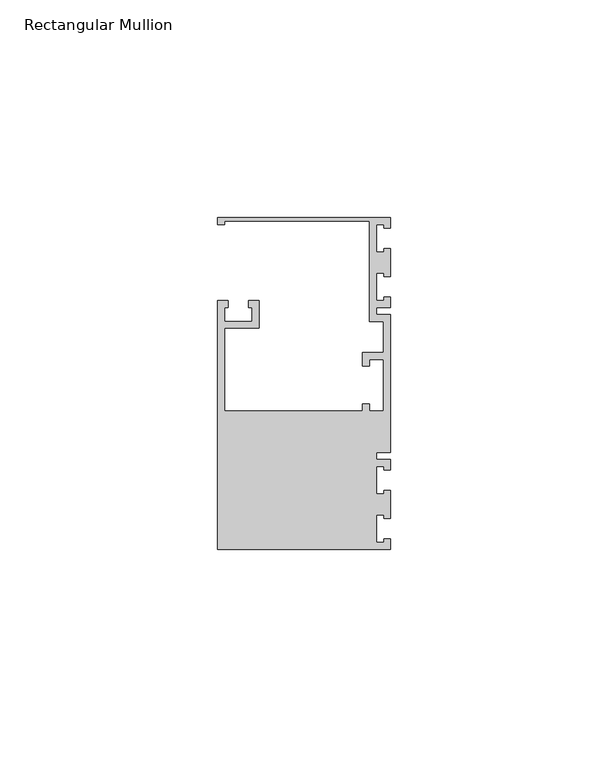
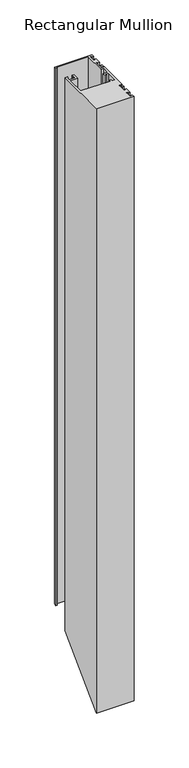
"""IFC4 building model written with IfcOpenShell, lengths in millimetres: member geometry, Rectangular Mullion."""

from ifc_helpers import new_model, si_unit, origin, place, context, project, spatial, faceted_brep, source, transform, mapped, element, save


def rectangular_mullion_7ab404a5(model_context):
    return source(origin(), model_context, "Body", "Brep", [
        faceted_brep([(0.0, 38.1, 0.0), (-39.6875, 38.1, 0.0), (-39.6875, 36.5125, 0.0), (-38.1, 36.5125, 0.0), (-38.1, 37.30625, 0.0), (-4.7625, 37.30625, 0.0), (-4.7625, 14.2875, 0.0), (-1.5875, 14.2875, 0.0), (-1.5875, 7.14375, 0.0), (-6.35, 7.14375, 0.0), (-6.35, 3.96875, 0.0), (-4.7625, 3.96875, 0.0), (-4.7625, 5.55625, 0.0), (-1.5875, 5.55625, 0.0), (-1.5875, -6.35, 0.0), (-4.7625, -6.35, 0.0), (-4.7625, -4.7625, 0.0), (-6.35, -4.7625, 0.0), (-6.35, -6.35, 0.0), (-38.1, -6.35, 0.0), (-38.1, 12.7, 0.0), (-30.1625, 12.7, 0.0), (-30.1625, 19.05, 0.0), (-32.54375, 19.05, 0.0), (-32.54375, 17.4625, 0.0), (-31.75, 17.4625, 0.0), (-31.75, 14.2875, 0.0), (-38.1, 14.2875, 0.0), (-38.1, 17.4625, 0.0), (-37.30625, 17.4625, 0.0), (-37.30625, 19.05, 0.0), (-39.6875, 19.05, 0.0), (-39.6875, -38.1, 0.0), (0.0, -38.1, 0.0), (0.0, -35.71875, 0.0), (-1.4999946, -35.71875, 0.0), (-1.4999946, -36.5125, 0.0), (-3.175, -36.5125, 0.0), (-3.175, -30.1625, 0.0), (-1.4999946, -30.1625, 0.0), (-1.4999946, -30.95625, 0.0), (0.0, -30.95625, 0.0), (0.0, -24.60625, 0.0), (-1.4999946, -24.60625, 0.0), (-1.4999946, -25.4, 0.0), (-3.175, -25.4, 0.0), (-3.175, -19.05, 0.0), (-1.4999946, -19.05, 0.0), (-1.4999946, -19.84375, 0.0), (0.0, -19.84375, 0.0), (0.0, -17.4625, 0.0), (-3.175, -17.4625, 0.0), (-3.175, -15.875, 0.0), (0.0, -15.875, 0.0), (0.0, 15.875, 0.0), (-3.175, 15.875, 0.0), (-3.175, 17.4625, 0.0), (0.0, 17.4625, 0.0), (0.0, 19.84375, 0.0), (-1.4999946, 19.84375, 0.0), (-1.4999946, 19.05, 0.0), (-3.175, 19.05, 0.0), (-3.175, 25.4, 0.0), (-1.4999946, 25.4, 0.0), (-1.4999946, 24.60625, 0.0), (0.0, 24.60625, 0.0), (0.0, 30.95625, 0.0), (-1.4999946, 30.95625, 0.0), (-1.4999946, 30.1625, 0.0), (-3.175, 30.1625, 0.0), (-3.175, 36.5125, 0.0), (-1.4999946, 36.5125, 0.0), (-1.4999946, 35.71875, 0.0), (0.0, 35.71875, 0.0), (0.0, 38.1, -596.9), (-39.6875, 38.1, -596.9), (-39.6875, 36.5125, -598.4875), (-38.1, 36.5125, -598.4875), (-38.1, 37.30625, -597.69375), (-4.7625, 37.30625, -597.69375), (-4.7625, 14.2875, -620.7125), (-1.5875, 14.2875, -620.7125), (-1.5875, 7.14375, -627.85625), (-6.35, 7.14375, -627.85625), (-6.35, 3.96875, -631.03125), (-4.7625, 3.96875, -631.03125), (-4.7625, 5.55625, -629.44375), (-1.5875, 5.55625, -629.44375), (-1.5875, -6.35, -641.35), (-4.7625, -6.35, -641.35), (-4.7625, -4.7625, -639.7625), (-6.35, -4.7625, -639.7625), (-6.35, -6.35, -641.35), (-38.1, -6.35, -641.35), (-38.1, 12.7, -622.3), (-30.1625, 12.7, -622.3), (-30.1625, 19.05, -615.95), (-32.54375, 19.05, -615.95), (-32.54375, 17.4625, -617.5375), (-31.75, 17.4625, -617.5375), (-31.75, 14.2875, -620.7125), (-38.1, 14.2875, -620.7125), (-38.1, 17.4625, -617.5375), (-37.30625, 17.4625, -617.5375), (-37.30625, 19.05, -615.95), (-39.6875, 19.05, -615.95), (-39.6875, -38.1, -673.1), (0.0, -38.1, -673.1), (0.0, -35.71875, -670.71875), (-1.4999946, -35.71875, -670.71875), (-1.4999946, -36.5125, -671.5125), (-3.175, -36.5125, -671.5125), (-3.175, -30.1625, -665.1625), (-1.4999946, -30.1625, -665.1625), (-1.4999946, -30.95625, -665.95625), (0.0, -30.95625, -665.95625), (0.0, -24.60625, -659.60625), (-1.4999946, -24.60625, -659.60625), (-1.4999946, -25.4, -660.4), (-3.175, -25.4, -660.4), (-3.175, -19.05, -654.05), (-1.4999946, -19.05, -654.05), (-1.4999946, -19.84375, -654.84375), (0.0, -19.84375, -654.84375), (0.0, -17.4625, -652.4625), (-3.175, -17.4625, -652.4625), (-3.175, -15.875, -650.875), (0.0, -15.875, -650.875), (0.0, 15.875, -619.125), (-3.175, 15.875, -619.125), (-3.175, 17.4625, -617.5375), (0.0, 17.4625, -617.5375), (0.0, 19.84375, -615.15625), (-1.4999946, 19.84375, -615.15625), (-1.4999946, 19.05, -615.95), (-3.175, 19.05, -615.95), (-3.175, 25.4, -609.6), (-1.4999946, 25.4, -609.6), (-1.4999946, 24.60625, -610.39375), (0.0, 24.60625, -610.39375), (0.0, 30.95625, -604.04375), (-1.4999946, 30.95625, -604.04375), (-1.4999946, 30.1625, -604.8375), (-3.175, 30.1625, -604.8375), (-3.175, 36.5125, -598.4875), (-1.4999946, 36.5125, -598.4875), (-1.4999946, 35.71875, -599.28125), (0.0, 35.71875, -599.28125)], [[[0, 1, 2, 3, 4, 5, 6, 7, 8, 9, 10, 11, 12, 13, 14, 15, 16, 17, 18, 19, 20, 21, 22, 23, 24, 25, 26, 27, 28, 29, 30, 31, 32, 33, 34, 35, 36, 37, 38, 39, 40, 41, 42, 43, 44, 45, 46, 47, 48, 49, 50, 51, 52, 53, 54, 55, 56, 57, 58, 59, 60, 61, 62, 63, 64, 65, 66, 67, 68, 69, 70, 71, 72, 73]], [[1, 0, 74, 75]], [[2, 1, 75, 76]], [[3, 2, 76, 77]], [[4, 3, 77, 78]], [[5, 4, 78, 79]], [[6, 5, 79, 80]], [[7, 6, 80, 81]], [[8, 7, 81, 82]], [[9, 8, 82, 83]], [[10, 9, 83, 84]], [[11, 10, 84, 85]], [[12, 11, 85, 86]], [[13, 12, 86, 87]], [[14, 13, 87, 88]], [[15, 14, 88, 89]], [[16, 15, 89, 90]], [[17, 16, 90, 91]], [[18, 17, 91, 92]], [[19, 18, 92, 93]], [[20, 19, 93, 94]], [[21, 20, 94, 95]], [[22, 21, 95, 96]], [[23, 22, 96, 97]], [[24, 23, 97, 98]], [[25, 24, 98, 99]], [[26, 25, 99, 100]], [[27, 26, 100, 101]], [[28, 27, 101, 102]], [[29, 28, 102, 103]], [[30, 29, 103, 104]], [[31, 30, 104, 105]], [[32, 31, 105, 106]], [[33, 32, 106, 107]], [[34, 33, 107, 108]], [[35, 34, 108, 109]], [[36, 35, 109, 110]], [[37, 36, 110, 111]], [[38, 37, 111, 112]], [[39, 38, 112, 113]], [[40, 39, 113, 114]], [[41, 40, 114, 115]], [[42, 41, 115, 116]], [[43, 42, 116, 117]], [[44, 43, 117, 118]], [[45, 44, 118, 119]], [[46, 45, 119, 120]], [[47, 46, 120, 121]], [[48, 47, 121, 122]], [[49, 48, 122, 123]], [[50, 49, 123, 124]], [[51, 50, 124, 125]], [[52, 51, 125, 126]], [[53, 52, 126, 127]], [[54, 53, 127, 128]], [[55, 54, 128, 129]], [[56, 55, 129, 130]], [[57, 56, 130, 131]], [[58, 57, 131, 132]], [[59, 58, 132, 133]], [[60, 59, 133, 134]], [[61, 60, 134, 135]], [[62, 61, 135, 136]], [[63, 62, 136, 137]], [[64, 63, 137, 138]], [[65, 64, 138, 139]], [[66, 65, 139, 140]], [[67, 66, 140, 141]], [[68, 67, 141, 142]], [[69, 68, 142, 143]], [[70, 69, 143, 144]], [[71, 70, 144, 145]], [[72, 71, 145, 146]], [[73, 72, 146, 147]], [[0, 73, 147, 74]], [[74, 147, 146, 145, 144, 143, 142, 141, 140, 139, 138, 137, 136, 135, 134, 133, 132, 131, 130, 129, 128, 127, 126, 125, 124, 123, 122, 121, 120, 119, 118, 117, 116, 115, 114, 113, 112, 111, 110, 109, 108, 107, 106, 105, 104, 103, 102, 101, 100, 99, 98, 97, 96, 95, 94, 93, 92, 91, 90, 89, 88, 87, 86, 85, 84, 83, 82, 81, 80, 79, 78, 77, 76, 75]]]),
    ])


if __name__ == "__main__":
    model = new_model("IFC4")
    model_context = context("Model", 3, world=origin())
    ifc_project = project(units=[si_unit("LENGTHUNIT", "METRE", prefix="MILLI")], contexts=[model_context])
    site = spatial("IfcSite", under=ifc_project)
    building = spatial("IfcBuilding", under=site)
    placement = place(None, origin())
    rectangular_mullion_shape = rectangular_mullion_7ab404a5(model_context)
    element("IfcMember", 1, ObjectType="Rectangular Mullion", at=placement, inside=building, context=model_context, shape_type="MappedRepresentation", body=[
        mapped(rectangular_mullion_shape, transform((0.0, 0.0, 0.0), x_axis=(1.0, 0.0, 0.0), y_axis=(0.0, 1.0, 0.0), z_axis=(0.0, 0.0, 1.0))),
    ])
    save(model, "model.ifc")
